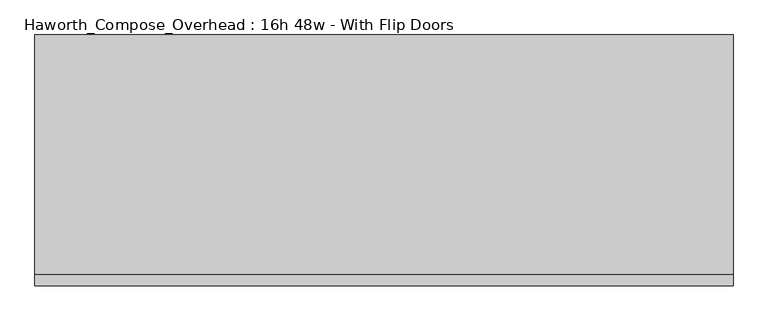
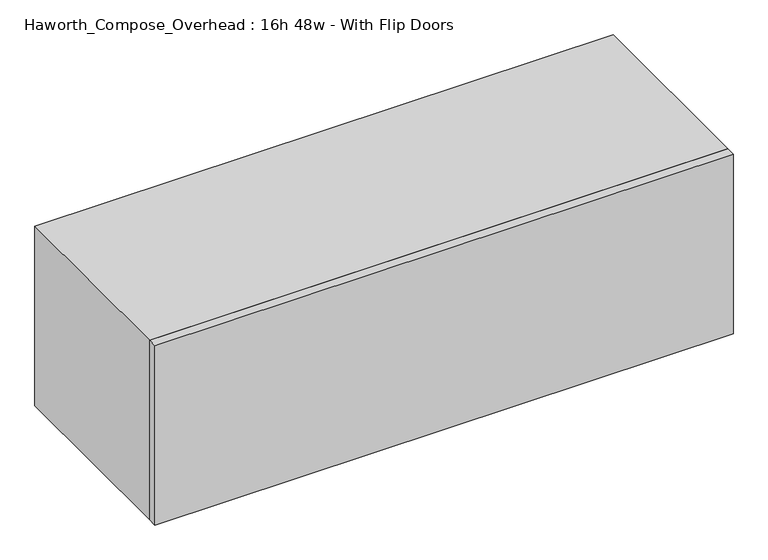
"""IFC4 building model written with IfcOpenShell, lengths in millimetres: furniture geometry, Haworth_Compose_Overhead : 16h 48w - With Flip Doors."""

from ifc_helpers import new_model, si_unit, frame, origin, place, context, project, spatial, polyline, outline, extrude, source, transform, mapped, element, save


def haworth_compose_overhead_16h_48w_with_flip_doors_f0597cef(model_context):
    return source(origin(), model_context, "Body", "SweptSolid", [
        extrude(outline(polyline([(774.7, -438.15), (-444.5, -438.15), (-444.5, -419.1), (774.7, -419.1), (774.7, -438.15)])), frame((0.0, 0.0, 1270.0), z_axis=(0.0, 0.0, 1.0), x_axis=(1.0, 0.0, 0.0)), (0.0, 0.0, 1.0), 400.05),
        extrude(outline(polyline([(749.3, -6.35), (-419.1, -6.35), (-419.1, 0.0), (749.3, 0.0), (749.3, -6.35)])), frame((0.0, 0.0, 1295.4), z_axis=(0.0, 0.0, 1.0), x_axis=(1.0, 0.0, 0.0)), (0.0, 0.0, 1.0), 349.25),
        extrude(outline(polyline([(1270.0, 774.7), (1670.05, 774.7), (1670.05, -444.5), (1270.0, -444.5), (1270.0, 774.7)]), holes=[polyline([(1644.65, 749.3), (1295.4, 749.3), (1295.4, -419.1), (1644.65, -419.1), (1644.65, 749.3)])]), frame((0.0, -419.1, 0.0), z_axis=(0.0, 1.0, 0.0), x_axis=(0.0, 0.0, 1.0)), (0.0, 0.0, 1.0), 419.1),
    ])


if __name__ == "__main__":
    model = new_model("IFC4")
    model_context = context("Model", 3, world=origin())
    ifc_project = project(units=[si_unit("LENGTHUNIT", "METRE", prefix="MILLI")], contexts=[model_context])
    site = spatial("IfcSite", under=ifc_project)
    building = spatial("IfcBuilding", under=site)
    placement = place(None, origin())
    haworth_compose_overhead_16h_48w_with_flip_doors_shape = haworth_compose_overhead_16h_48w_with_flip_doors_f0597cef(model_context)
    element("IfcFurniture", 1, ObjectType="Haworth_Compose_Overhead : 16h 48w - With Flip Doors", at=placement, inside=building, context=model_context, shape_type="MappedRepresentation", body=[
        mapped(haworth_compose_overhead_16h_48w_with_flip_doors_shape, transform((0.0, 0.0, 0.0), x_axis=(1.0, 0.0, 0.0), y_axis=(0.0, 1.0, 0.0), z_axis=(0.0, 0.0, 1.0))),
    ])
    save(model, "model.ifc")
